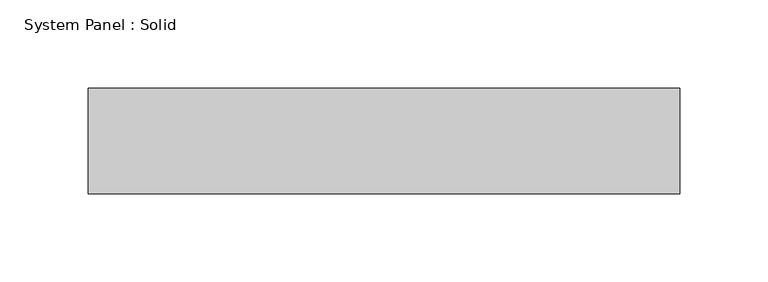
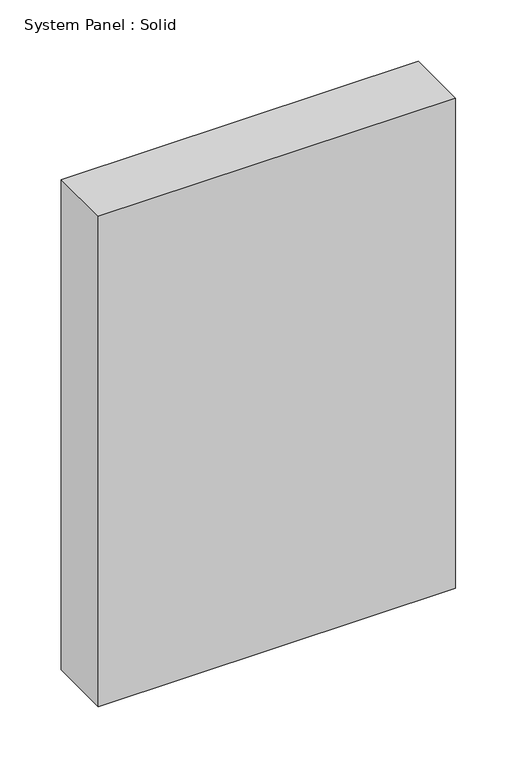
"""IFC4 building model written with IfcOpenShell, lengths in millimetres: plate geometry, System Panel : Solid."""

from ifc_helpers import new_model, si_unit, origin, origin_with_axes, place, context, project, spatial, polyline, outline, extrude, source, transform, mapped, element, save


def system_panel_solid_30668bf3(model_context):
    return source(origin(), model_context, "Body", "SweptSolid", [
        extrude(outline(polyline([(168.0, -10.5), (-168.0, -10.5), (-168.0, 49.5), (168.0, 49.5), (168.0, -10.5)])), origin_with_axes(), (0.0, 0.0, 1.0), 487.0186763),
    ])


if __name__ == "__main__":
    model = new_model("IFC4")
    model_context = context("Model", 3, world=origin())
    ifc_project = project(units=[si_unit("LENGTHUNIT", "METRE", prefix="MILLI")], contexts=[model_context])
    site = spatial("IfcSite", under=ifc_project)
    building = spatial("IfcBuilding", under=site)
    placement = place(None, origin())
    system_panel_solid_shape = system_panel_solid_30668bf3(model_context)
    element("IfcPlate", 1, ObjectType="System Panel : Solid", at=placement, inside=building, context=model_context, shape_type="MappedRepresentation", body=[
        mapped(system_panel_solid_shape, transform((0.0, 0.0, 0.0), x_axis=(1.0, 0.0, 0.0), y_axis=(0.0, 1.0, 0.0), z_axis=(0.0, 0.0, 1.0))),
    ])
    save(model, "model.ifc")
